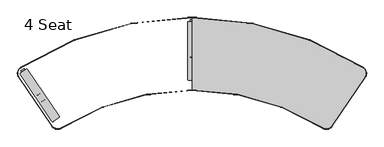
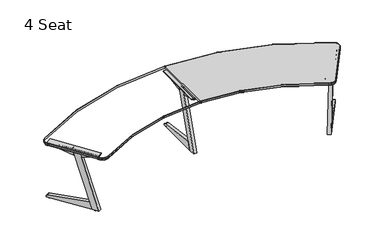
"""IFC4 building model written with IfcOpenShell, lengths in millimetres: furniture geometry, 4 Seat."""

from ifc_helpers import new_model, si_unit, point, frame, frame_2d, origin, place, context, project, spatial, polyline, circle_curve, ellipse_curve, trimmed, segment, composite_curve, outline, extrude, source, transform, mapped, element, save
from ifc_brep_helpers import plane_surface, cylinder_surface, revolved_surface, advanced_brep


def furniture_4_seat_52981105(model_context):
    return source(origin(), model_context, "Body", "SolidModel", [
        extrude(outline(composite_curve([segment(polyline([(-44.4500484, 116.2818345), (-44.4500484, 695.961839)]), True, "CONTINUOUS"), segment(trimmed(circle_curve(frame_2d((-34.2900484, 695.961839)), 10.16), [point((-44.4500484, 695.961839))], [point((-34.2900484, 706.121839))], False, "CARTESIAN"), True, "CONTINUOUS"), segment(polyline([(-34.2900484, 706.121839), (34.2900484, 706.121839)]), True, "CONTINUOUS"), segment(trimmed(circle_curve(frame_2d((34.2900484, 695.961839)), 10.16), [point((34.2900484, 706.121839))], [point((44.4500484, 695.961839))], False, "CARTESIAN"), True, "CONTINUOUS"), segment(polyline([(44.4500484, 695.961839), (44.4500484, 116.2818345)]), True, "CONTINUOUS"), segment(trimmed(circle_curve(frame_2d((34.2900484, 116.2818345)), 10.16), [point((44.4500484, 116.2818345))], [point((34.2900484, 106.1218345))], False, "CARTESIAN"), True, "CONTINUOUS"), segment(polyline([(34.2900484, 106.1218345), (-34.2900484, 106.1218345)]), True, "CONTINUOUS"), segment(trimmed(circle_curve(frame_2d((-34.2900484, 116.2818345)), 10.16), [point((-34.2900484, 106.1218345))], [point((-44.4500484, 116.2818345))], False, "CARTESIAN"), True, "CONTINUOUS")], self_intersect=False)), frame((0.0, 0.0, 714.3857946), z_axis=(0.0, 0.0, 1.0), x_axis=(1.0, 0.0, 0.0)), (0.0, 0.0, 1.0), 4.617167),
        advanced_brep(
        [(0.0, 677.8953643, 1.2928006), (0.0, 707.2246787, 1.2928006), (0.0, 692.5600215, 0.0), (0.0, 677.8953643, 8.0264498), (0.0, 707.2246787, 8.0264498), (0.0, 692.5600215, 8.0264498)],
        [
            (0, 1, circle_curve(frame((0.0, 692.5600215, 1.2928006), z_axis=(0.0, 0.0, -1.0), x_axis=(0.0, 1.0, 0.0)), 14.6646572)),
            (1, 2, circle_curve(frame((0.0, 694.003211, 67.4488203), z_axis=(-1.0, 0.0, 0.0), x_axis=(0.0, 1.0, 0.0)), 67.4642584)),
            (2, 0, circle_curve(frame((0.0, 691.116832, 67.4488203), z_axis=(-1.0, 0.0, 0.0), x_axis=(0.0, -1.0, 0.0)), 67.4642584)),
            (1, 0, circle_curve(frame((0.0, 692.5600215, 1.2928006), z_axis=(0.0, 0.0, -1.0), x_axis=(0.0, 1.0, 0.0)), 14.6646572)),
            (3, 4, circle_curve(frame((0.0, 692.5600215, 8.0264498), z_axis=(0.0, 0.0, -1.0), x_axis=(0.0, 1.0, 0.0)), 14.6646572)),
            (4, 1),
            (0, 3),
            (4, 3, circle_curve(frame((0.0, 692.5600215, 8.0264498), z_axis=(0.0, 0.0, -1.0), x_axis=(0.0, 1.0, 0.0)), 14.6646572)),
            (5, 4),
            (3, 5),
        ],
        [
            revolved_surface(trimmed(ellipse_curve(frame((0.0, 694.003211, 67.4488203), z_axis=(1.0, 0.0, 0.0), x_axis=(0.0, 1.0, 0.0)), 67.4642584, 67.4642584), [point((0.0, 692.5600215, 0.0))], [point((0.0, 707.2246787, 1.2928006))], True, "CARTESIAN"), (0.0, 692.5600215, -6.2719709), (0.0, 0.0, 1.0)),
            cylinder_surface(frame((0.0, 692.5600215, -6.2719709), z_axis=(0.0, 0.0, 1.0), x_axis=(0.0, 1.0, 0.0)), 14.6646572),
            plane_surface(frame((0.0, 692.5600215, 8.0264498), z_axis=(0.0, 0.0, 1.0), x_axis=(0.0, 1.0, 0.0))),
        ],
        [
            (0, [[1, 2, 3]]),
            (0, [[4, -3, -2]]),
            (1, [[5, 6, -1, 7]]),
            (1, [[8, -7, -4, -6]]),
            (2, [[9, -5, 10]]),
            (2, [[-10, -8, -9]]),
        ],
    ),
        advanced_brep(
        [(0.0, 143.7078397, 1.2928006), (0.0, 173.0371541, 1.2928006), (0.0, 158.3724969, 0.0), (0.0, 143.7078397, 8.0264498), (0.0, 173.0371541, 8.0264498), (0.0, 158.3724969, 8.0264498)],
        [
            (0, 1, circle_curve(frame((0.0, 158.3724969, 1.2928006), z_axis=(0.0, 0.0, -1.0), x_axis=(0.0, 1.0, 0.0)), 14.6646572)),
            (1, 2, circle_curve(frame((0.0, 159.8156864, 67.4488203), z_axis=(-1.0, 0.0, 0.0), x_axis=(0.0, 1.0, 0.0)), 67.4642584)),
            (2, 0, circle_curve(frame((0.0, 156.9293074, 67.4488203), z_axis=(-1.0, 0.0, 0.0), x_axis=(0.0, -1.0, 0.0)), 67.4642584)),
            (1, 0, circle_curve(frame((0.0, 158.3724969, 1.2928006), z_axis=(0.0, 0.0, -1.0), x_axis=(0.0, 1.0, 0.0)), 14.6646572)),
            (3, 4, circle_curve(frame((0.0, 158.3724969, 8.0264498), z_axis=(0.0, 0.0, -1.0), x_axis=(0.0, 1.0, 0.0)), 14.6646572)),
            (4, 1),
            (0, 3),
            (4, 3, circle_curve(frame((0.0, 158.3724969, 8.0264498), z_axis=(0.0, 0.0, -1.0), x_axis=(0.0, 1.0, 0.0)), 14.6646572)),
            (5, 4),
            (3, 5),
        ],
        [
            revolved_surface(trimmed(ellipse_curve(frame((0.0, 159.8156864, 67.4488203), z_axis=(1.0, 0.0, 0.0), x_axis=(0.0, 1.0, 0.0)), 67.4642584, 67.4642584), [point((0.0, 158.3724969, 0.0))], [point((0.0, 173.0371541, 1.2928006))], True, "CARTESIAN"), (0.0, 158.3724969, -6.2719709), (0.0, 0.0, 1.0)),
            cylinder_surface(frame((0.0, 158.3724969, -6.2719709), z_axis=(0.0, 0.0, 1.0), x_axis=(0.0, 1.0, 0.0)), 14.6646572),
            plane_surface(frame((0.0, 158.3724969, 8.0264498), z_axis=(0.0, 0.0, 1.0), x_axis=(0.0, 1.0, 0.0))),
        ],
        [
            (0, [[1, 2, 3]]),
            (0, [[4, -3, -2]]),
            (1, [[5, 6, -1, 7]]),
            (1, [[8, -7, -4, -6]]),
            (2, [[9, -5, 10]]),
            (2, [[-10, -8, -9]]),
        ],
    ),
        extrude(outline(polyline([(187.2682978, 8.0264498), (107.1469529, 8.0264498), (338.1573042, 719.0029616), (418.2785734, 719.0029616), (187.2682978, 8.0264498)])), frame((-19.05, 0.0, 0.0), z_axis=(1.0, 0.0, 0.0), x_axis=(0.0, 1.0, 0.0)), (0.0, 0.0, 1.0), 38.1),
        extrude(outline(composite_curve([segment(polyline([(720.9868557, 8.0264498), (187.2682961, 8.0264498), (217.2701859, 100.3622996), (709.6149626, 34.6058121)]), True, "CONTINUOUS"), segment(trimmed(circle_curve(frame_2d((707.6569952, 19.9457372)), 14.7902478), [point((709.6149626, 34.6058121))], [point((722.3171082, 17.9880557))], False, "CARTESIAN"), True, "CONTINUOUS"), segment(polyline([(722.3171082, 17.9880557), (720.9868557, 8.0264498)]), True, "CONTINUOUS")], self_intersect=False)), frame((-19.05, 0.0, 0.0), z_axis=(1.0, 0.0, 0.0), x_axis=(0.0, 1.0, 0.0)), (0.0, 0.0, 1.0), 38.1),
        extrude(outline(polyline([(704.6217852, 696.1870194), (393.1086993, 641.5380556), (418.2785734, 719.0029616), (704.6217852, 719.0029616), (704.6217852, 696.1870194)])), frame((-19.05, 0.0, 0.0), z_axis=(1.0, 0.0, 0.0), x_axis=(0.0, 1.0, 0.0)), (0.0, 0.0, 1.0), 38.1),
        extrude(outline(polyline([(107.4819259, 701.0055227), (107.4819259, 719.0029616), (338.1573184, 719.0029616), (314.3033533, 645.5879568), (107.4819259, 701.0055227)])), frame((-19.05, 0.0, 0.0), z_axis=(1.0, 0.0, 0.0), x_axis=(0.0, 1.0, 0.0)), (0.0, 0.0, 1.0), 38.1),
        extrude(outline(composite_curve([segment(trimmed(circle_curve(frame_2d((1426.3823302, -309.0075111)), 10.16), [point((1434.8053519, -314.688911))], [point((1420.7009303, -317.4305328))], False, "CARTESIAN"), True, "CONTINUOUS"), segment(polyline([(1420.7009303, -317.4305328), (1363.8454532, -279.0810293)]), True, "CONTINUOUS"), segment(trimmed(circle_curve(frame_2d((1369.5268531, -270.6580076)), 10.16), [point((1363.8454532, -279.0810293))], [point((1361.1038314, -264.9766077))], False, "CARTESIAN"), True, "CONTINUOUS"), segment(polyline([(1361.1038314, -264.9766077), (1685.2567762, 215.5998962)]), True, "CONTINUOUS"), segment(trimmed(circle_curve(frame_2d((1693.679798, 209.9184963)), 10.16), [point((1685.2567762, 215.5998962))], [point((1699.3611979, 218.341518))], False, "CARTESIAN"), True, "CONTINUOUS"), segment(polyline([(1699.3611979, 218.341518), (1756.2166749, 179.9920145)]), True, "CONTINUOUS"), segment(trimmed(circle_curve(frame_2d((1750.535275, 171.5689928)), 10.16), [point((1756.2166749, 179.9920145))], [point((1758.9582967, 165.8875929))], False, "CARTESIAN"), True, "CONTINUOUS"), segment(polyline([(1758.9582967, 165.8875929), (1434.8053519, -314.688911)]), True, "CONTINUOUS")], self_intersect=False)), frame((0.0, 0.0, 714.3857946), z_axis=(0.0, 0.0, 1.0), x_axis=(1.0, 0.0, 0.0)), (0.0, 0.0, 1.0), 4.617167),
        advanced_brep(
        [(1712.004892, 175.7659581, 1.2928006), (1720.2052642, 187.92351, 0.0), (1728.4056365, 200.0810618, 1.2928006), (1712.004892, 175.7659581, 8.0264498), (1728.4056365, 200.0810618, 8.0264498), (1720.2052642, 187.92351, 8.0264498)],
        [
            (0, 1, circle_curve(frame((1719.3982429, 186.7270516, 67.4488203), z_axis=(0.8290375725550418, -0.5591929034707467, 0.0), x_axis=(-0.5591929034707467, -0.8290375725550418, 0.0)), 67.4642584)),
            (1, 2, circle_curve(frame((1721.0122856, 189.1199683, 67.4488203), z_axis=(0.8290375725550401, -0.5591929034707493, 0.0), x_axis=(0.5591929034707493, 0.8290375725550401, 0.0)), 67.4642584)),
            (2, 0, circle_curve(frame((1720.2052642, 187.92351, 1.2928006), z_axis=(0.0, 0.0, -1.0), x_axis=(0.5591929034707493, 0.8290375725550401, 0.0)), 14.6646572)),
            (0, 2, circle_curve(frame((1720.2052642, 187.92351, 1.2928006), z_axis=(0.0, 0.0, -1.0), x_axis=(0.5591929034707493, 0.8290375725550401, 0.0)), 14.6646572)),
            (3, 0),
            (2, 4),
            (4, 3, circle_curve(frame((1720.2052642, 187.92351, 8.0264498), z_axis=(0.0, 0.0, -1.0), x_axis=(0.5591929034707493, 0.8290375725550401, 0.0)), 14.6646572)),
            (3, 4, circle_curve(frame((1720.2052642, 187.92351, 8.0264498), z_axis=(0.0, 0.0, -1.0), x_axis=(0.5591929034707493, 0.8290375725550401, 0.0)), 14.6646572)),
            (5, 3),
            (4, 5),
        ],
        [
            revolved_surface(trimmed(ellipse_curve(frame((1721.0122856, 189.1199683, 67.4488203), z_axis=(0.8290375725550401, -0.5591929034707493, 0.0), x_axis=(0.5591929034707493, 0.8290375725550401, 0.0)), 67.4642584, 67.4642584), [point((1720.2052642, 187.92351, 0.0))], [point((1728.4056365, 200.0810618, 1.2928006))], True, "CARTESIAN"), (1720.2052642, 187.92351, -6.2719709), (0.0, 0.0, 1.0)),
            cylinder_surface(frame((1720.2052642, 187.92351, -6.2719709), z_axis=(0.0, 0.0, 1.0), x_axis=(0.5591929034707493, 0.8290375725550401, 0.0)), 14.6646572),
            plane_surface(frame((1720.2052642, 187.92351, 8.0264498), z_axis=(0.0, 0.0, 1.0), x_axis=(0.5591929034707493, 0.8290375725550401, 0.0))),
        ],
        [
            (0, [[1, 2, 3]]),
            (0, [[-2, -1, 4]]),
            (1, [[5, -3, 6, 7]]),
            (1, [[-6, -4, -5, 8]]),
            (2, [[9, -7, 10]]),
            (2, [[-10, -8, -9]]),
        ],
    ),
        advanced_brep(
        [(1413.2910191, -267.0955705, 1.2928006), (1421.4913914, -254.9380187, 0.0), (1429.6917636, -242.7804669, 1.2928006), (1413.2910191, -267.0955705, 8.0264498), (1429.6917636, -242.7804669, 8.0264498), (1421.4913914, -254.9380187, 8.0264498)],
        [
            (0, 1, circle_curve(frame((1420.68437, -256.1344771, 67.4488203), z_axis=(0.8290375725550418, -0.5591929034707467, 0.0), x_axis=(-0.5591929034707467, -0.8290375725550418, 0.0)), 67.4642584)),
            (1, 2, circle_curve(frame((1422.2984127, -253.7415604, 67.4488203), z_axis=(0.8290375725550401, -0.5591929034707493, 0.0), x_axis=(0.5591929034707493, 0.8290375725550401, 0.0)), 67.4642584)),
            (2, 0, circle_curve(frame((1421.4913914, -254.9380187, 1.2928006), z_axis=(0.0, 0.0, -1.0), x_axis=(0.5591929034707493, 0.8290375725550401, 0.0)), 14.6646572)),
            (0, 2, circle_curve(frame((1421.4913914, -254.9380187, 1.2928006), z_axis=(0.0, 0.0, -1.0), x_axis=(0.5591929034707493, 0.8290375725550401, 0.0)), 14.6646572)),
            (3, 0),
            (2, 4),
            (4, 3, circle_curve(frame((1421.4913914, -254.9380187, 8.0264498), z_axis=(0.0, 0.0, -1.0), x_axis=(0.5591929034707493, 0.8290375725550401, 0.0)), 14.6646572)),
            (3, 4, circle_curve(frame((1421.4913914, -254.9380187, 8.0264498), z_axis=(0.0, 0.0, -1.0), x_axis=(0.5591929034707493, 0.8290375725550401, 0.0)), 14.6646572)),
            (5, 3),
            (4, 5),
        ],
        [
            revolved_surface(trimmed(ellipse_curve(frame((1422.2984127, -253.7415604, 67.4488203), z_axis=(0.8290375725550401, -0.5591929034707493, 0.0), x_axis=(0.5591929034707493, 0.8290375725550401, 0.0)), 67.4642584, 67.4642584), [point((1421.4913914, -254.9380187, 0.0))], [point((1429.6917636, -242.7804669, 1.2928006))], True, "CARTESIAN"), (1421.4913914, -254.9380187, -6.2719709), (0.0, 0.0, 1.0)),
            cylinder_surface(frame((1421.4913914, -254.9380187, -6.2719709), z_axis=(0.0, 0.0, 1.0), x_axis=(0.5591929034707493, 0.8290375725550401, 0.0)), 14.6646572),
            plane_surface(frame((1421.4913914, -254.9380187, 8.0264498), z_axis=(0.0, 0.0, 1.0), x_axis=(0.5591929034707493, 0.8290375725550401, 0.0))),
        ],
        [
            (0, [[1, 2, 3]]),
            (0, [[-2, -1, 4]]),
            (1, [[5, -3, 6, 7]]),
            (1, [[-6, -4, -5, 8]]),
            (2, [[9, -7, 10]]),
            (2, [[-10, -8, -9]]),
        ],
    ),
        extrude(outline(polyline([(717.5896606, 0.0), (-29.9752849, 0.0), (-5.2164508, 76.1998551), (742.3485181, 76.1999271), (717.5896606, 0.0)])), frame((1577.4424581, -57.7980102, 690.4947716), z_axis=(-0.8290375725550401, 0.5591929034707495, 0.0), x_axis=(-0.17280011256799754, -0.2561867022479428, -0.9510565149810033)), (0.0, 0.0, 1.0), 38.1),
        extrude(outline(composite_curve([segment(polyline([(-0.2399851, 0.0), (-10.2900181, 0.0)]), True, "CONTINUOUS"), segment(trimmed(circle_curve(frame_2d((-10.2900181, 14.7902478)), 14.7902478), [point((-10.2900181, 0.0))], [point((-25.0802659, 14.7899594))], False, "CARTESIAN"), True, "CONTINUOUS"), segment(polyline([(-25.0802659, 14.7899594), (-25.0899523, 511.5064729), (70.404603, 529.0225355), (-0.2399851, 0.0)]), True, "CONTINUOUS")], self_intersect=False)), frame((1751.8767512, 200.8114643, 7.7885763), z_axis=(-0.8290375725550401, 0.5591929034707495, 0.0), x_axis=(-0.07401644854015399, -0.10973389763358792, -0.9912013100554519)), (0.0, 0.0, 1.0), 38.1),
        extrude(outline(polyline([(-680.1795134, 107.3080747), (-702.7947052, 110.3280611), (-664.8934595, 394.1518279), (-584.7785833, 408.8467529), (-680.1795134, 107.3080747)])), frame((1751.8767512, 200.8114643, 7.7885763), z_axis=(-0.8290375725550401, 0.5591929034707495, 0.0), x_axis=(-0.07401644854015399, -0.10973389763358792, -0.9912013100554519)), (0.0, 0.0, 1.0), 38.1),
        extrude(outline(polyline([(-605.9163988, 699.8316771), (-578.3619389, 487.4947721), (-654.2883701, 473.5681207), (-623.7554838, 702.213872), (-605.9163988, 699.8316771)])), frame((1751.8767512, 200.8114643, 7.7885763), z_axis=(-0.8290375725550401, 0.5591929034707495, 0.0), x_axis=(-0.07401644854015399, -0.10973389763358792, -0.9912013100554519)), (0.0, 0.0, 1.0), 38.1),
        extrude(outline(composite_curve([segment(polyline([(-1434.8053519, -314.688911), (-1758.9582967, 165.8875929)]), True, "CONTINUOUS"), segment(trimmed(circle_curve(frame_2d((-1750.535275, 171.5689928)), 10.16), [point((-1758.9582967, 165.8875929))], [point((-1756.2166749, 179.9920145))], False, "CARTESIAN"), True, "CONTINUOUS"), segment(polyline([(-1756.2166749, 179.9920145), (-1699.3611979, 218.341518)]), True, "CONTINUOUS"), segment(trimmed(circle_curve(frame_2d((-1693.679798, 209.9184963)), 10.16), [point((-1699.3611979, 218.341518))], [point((-1685.2567762, 215.5998962))], False, "CARTESIAN"), True, "CONTINUOUS"), segment(polyline([(-1685.2567762, 215.5998962), (-1361.1038314, -264.9766077)]), True, "CONTINUOUS"), segment(trimmed(circle_curve(frame_2d((-1369.5268531, -270.6580076)), 10.16), [point((-1361.1038314, -264.9766077))], [point((-1363.8454532, -279.0810293))], False, "CARTESIAN"), True, "CONTINUOUS"), segment(polyline([(-1363.8454532, -279.0810293), (-1420.7009303, -317.4305328)]), True, "CONTINUOUS"), segment(trimmed(circle_curve(frame_2d((-1426.3823302, -309.0075111)), 10.16), [point((-1420.7009303, -317.4305328))], [point((-1434.8053519, -314.688911))], False, "CARTESIAN"), True, "CONTINUOUS")], self_intersect=False)), frame((0.0, 0.0, 714.3857946), z_axis=(0.0, 0.0, 1.0), x_axis=(1.0, 0.0, 0.0)), (0.0, 0.0, 1.0), 4.617167),
        advanced_brep(
        [(-1712.004892, 175.7659581, 1.2928006), (-1728.4056365, 200.0810618, 1.2928006), (-1720.2052642, 187.92351, 0.0), (-1712.004892, 175.7659581, 8.0264498), (-1728.4056365, 200.0810618, 8.0264498), (-1720.2052642, 187.92351, 8.0264498)],
        [
            (0, 1, circle_curve(frame((-1720.2052642, 187.92351, 1.2928006), z_axis=(0.0, 0.0, -1.0), x_axis=(-0.5591929034707493, 0.8290375725550401, 0.0)), 14.6646572)),
            (1, 2, circle_curve(frame((-1721.0122856, 189.1199683, 67.4488203), z_axis=(-0.8290375725550401, -0.5591929034707493, 0.0), x_axis=(-0.5591929034707493, 0.8290375725550401, 0.0)), 67.4642584)),
            (2, 0, circle_curve(frame((-1719.3982429, 186.7270516, 67.4488203), z_axis=(-0.8290375725550418, -0.5591929034707467, 0.0), x_axis=(0.5591929034707467, -0.8290375725550418, 0.0)), 67.4642584)),
            (1, 0, circle_curve(frame((-1720.2052642, 187.92351, 1.2928006), z_axis=(0.0, 0.0, -1.0), x_axis=(-0.5591929034707493, 0.8290375725550401, 0.0)), 14.6646572)),
            (3, 4, circle_curve(frame((-1720.2052642, 187.92351, 8.0264498), z_axis=(0.0, 0.0, -1.0), x_axis=(-0.5591929034707493, 0.8290375725550401, 0.0)), 14.6646572)),
            (4, 1),
            (0, 3),
            (4, 3, circle_curve(frame((-1720.2052642, 187.92351, 8.0264498), z_axis=(0.0, 0.0, -1.0), x_axis=(-0.5591929034707493, 0.8290375725550401, 0.0)), 14.6646572)),
            (5, 4),
            (3, 5),
        ],
        [
            revolved_surface(trimmed(ellipse_curve(frame((-1721.0122856, 189.1199683, 67.4488203), z_axis=(0.8290375725550401, 0.5591929034707493, 0.0), x_axis=(-0.5591929034707493, 0.8290375725550401, 0.0)), 67.4642584, 67.4642584), [point((-1720.2052642, 187.92351, 0.0))], [point((-1728.4056365, 200.0810618, 1.2928006))], True, "CARTESIAN"), (-1720.2052642, 187.92351, -6.2719709), (0.0, 0.0, 1.0)),
            cylinder_surface(frame((-1720.2052642, 187.92351, -6.2719709), z_axis=(0.0, 0.0, 1.0), x_axis=(-0.5591929034707493, 0.8290375725550401, 0.0)), 14.6646572),
            plane_surface(frame((-1720.2052642, 187.92351, 8.0264498), z_axis=(0.0, 0.0, 1.0), x_axis=(-0.5591929034707493, 0.8290375725550401, 0.0))),
        ],
        [
            (0, [[1, 2, 3]]),
            (0, [[4, -3, -2]]),
            (1, [[5, 6, -1, 7]]),
            (1, [[8, -7, -4, -6]]),
            (2, [[9, -5, 10]]),
            (2, [[-10, -8, -9]]),
        ],
    ),
        advanced_brep(
        [(-1413.2910191, -267.0955705, 1.2928006), (-1429.6917636, -242.7804669, 1.2928006), (-1421.4913914, -254.9380187, 0.0), (-1413.2910191, -267.0955705, 8.0264498), (-1429.6917636, -242.7804669, 8.0264498), (-1421.4913914, -254.9380187, 8.0264498)],
        [
            (0, 1, circle_curve(frame((-1421.4913914, -254.9380187, 1.2928006), z_axis=(0.0, 0.0, -1.0), x_axis=(-0.5591929034707493, 0.8290375725550401, 0.0)), 14.6646572)),
            (1, 2, circle_curve(frame((-1422.2984127, -253.7415604, 67.4488203), z_axis=(-0.8290375725550401, -0.5591929034707493, 0.0), x_axis=(-0.5591929034707493, 0.8290375725550401, 0.0)), 67.4642584)),
            (2, 0, circle_curve(frame((-1420.68437, -256.1344771, 67.4488203), z_axis=(-0.8290375725550418, -0.5591929034707467, 0.0), x_axis=(0.5591929034707467, -0.8290375725550418, 0.0)), 67.4642584)),
            (1, 0, circle_curve(frame((-1421.4913914, -254.9380187, 1.2928006), z_axis=(0.0, 0.0, -1.0), x_axis=(-0.5591929034707493, 0.8290375725550401, 0.0)), 14.6646572)),
            (3, 4, circle_curve(frame((-1421.4913914, -254.9380187, 8.0264498), z_axis=(0.0, 0.0, -1.0), x_axis=(-0.5591929034707493, 0.8290375725550401, 0.0)), 14.6646572)),
            (4, 1),
            (0, 3),
            (4, 3, circle_curve(frame((-1421.4913914, -254.9380187, 8.0264498), z_axis=(0.0, 0.0, -1.0), x_axis=(-0.5591929034707493, 0.8290375725550401, 0.0)), 14.6646572)),
            (5, 4),
            (3, 5),
        ],
        [
            revolved_surface(trimmed(ellipse_curve(frame((-1422.2984127, -253.7415604, 67.4488203), z_axis=(0.8290375725550401, 0.5591929034707493, 0.0), x_axis=(-0.5591929034707493, 0.8290375725550401, 0.0)), 67.4642584, 67.4642584), [point((-1421.4913914, -254.9380187, 0.0))], [point((-1429.6917636, -242.7804669, 1.2928006))], True, "CARTESIAN"), (-1421.4913914, -254.9380187, -6.2719709), (0.0, 0.0, 1.0)),
            cylinder_surface(frame((-1421.4913914, -254.9380187, -6.2719709), z_axis=(0.0, 0.0, 1.0), x_axis=(-0.5591929034707493, 0.8290375725550401, 0.0)), 14.6646572),
            plane_surface(frame((-1421.4913914, -254.9380187, 8.0264498), z_axis=(0.0, 0.0, 1.0), x_axis=(-0.5591929034707493, 0.8290375725550401, 0.0))),
        ],
        [
            (0, [[1, 2, 3]]),
            (0, [[4, -3, -2]]),
            (1, [[5, 6, -1, 7]]),
            (1, [[8, -7, -4, -6]]),
            (2, [[9, -5, 10]]),
            (2, [[-10, -8, -9]]),
        ],
    ),
        extrude(outline(polyline([(717.5896606, 0.0), (742.3485181, -76.1999271), (-5.2164508, -76.1998551), (-29.9752849, 0.0), (717.5896606, 0.0)])), frame((-1577.4424581, -57.7980102, 690.4947716), z_axis=(0.8290375725550401, 0.5591929034707495, 0.0), x_axis=(0.17280011256799754, -0.2561867022479428, -0.9510565149810033)), (0.0, 0.0, 1.0), 38.1),
        extrude(outline(composite_curve([segment(polyline([(-0.2399851, 0.0), (70.404603, -529.0225355), (-25.0899523, -511.5064729), (-25.0802659, -14.7899594)]), True, "CONTINUOUS"), segment(trimmed(circle_curve(frame_2d((-10.2900181, -14.7902478)), 14.7902478), [point((-25.0802659, -14.7899594))], [point((-10.2900181, 0.0))], False, "CARTESIAN"), True, "CONTINUOUS"), segment(polyline([(-10.2900181, 0.0), (-0.2399851, 0.0)]), True, "CONTINUOUS")], self_intersect=False)), frame((-1751.8767512, 200.8114643, 7.7885763), z_axis=(0.8290375725550401, 0.5591929034707495, 0.0), x_axis=(0.07401644854015399, -0.10973389763358792, -0.9912013100554519)), (0.0, 0.0, 1.0), 38.1),
        extrude(outline(polyline([(-680.1795134, -107.3080747), (-584.7785833, -408.8467529), (-664.8934595, -394.1518279), (-702.7947052, -110.3280611), (-680.1795134, -107.3080747)])), frame((-1751.8767512, 200.8114643, 7.7885763), z_axis=(0.8290375725550401, 0.5591929034707495, 0.0), x_axis=(0.07401644854015399, -0.10973389763358792, -0.9912013100554519)), (0.0, 0.0, 1.0), 38.1),
        extrude(outline(polyline([(-605.9163988, -699.8316771), (-623.7554838, -702.213872), (-654.2883701, -473.5681207), (-578.3619389, -487.4947721), (-605.9163988, -699.8316771)])), frame((-1751.8767512, 200.8114643, 7.7885763), z_axis=(0.8290375725550401, 0.5591929034707495, 0.0), x_axis=(0.07401644854015399, -0.10973389763358792, -0.9912013100554519)), (0.0, 0.0, 1.0), 38.1),
        extrude(outline(composite_curve([segment(trimmed(circle_curve(frame_2d((1715.7106377, 175.8950772)), 69.0), [point((1752.785616, 234.0882554))], [point((1772.9142302, 137.3107668))], False, "CARTESIAN"), True, "CONTINUOUS"), segment(polyline([(1772.9142302, 137.3107668), (1436.2821485, -361.7668184)]), True, "CONTINUOUS"), segment(trimmed(circle_curve(frame_2d((1376.5914432, -321.5049293)), 72.0), [point((1436.2821485, -361.7668184))], [point((1338.2920231, -382.4734))], False, "CARTESIAN"), True, "CONTINUOUS"), segment(trimmed(circle_curve(frame_2d((0.0, -2512.8873234)), 2515.8873234), [point((1338.2920231, -382.4734))], [point((0.0, 3.0))], True, "CARTESIAN"), True, "CONTINUOUS"), segment(polyline([(0.0, 3.0), (0.0, 745.0)]), True, "CONTINUOUS"), segment(trimmed(circle_curve(frame_2d((0.0, -2517.0978685)), 3262.0978685), [point((0.0, 745.0))], [point((1752.785616, 234.0882554))], False, "CARTESIAN"), True, "CONTINUOUS")], self_intersect=False)), frame((0.0, 0.0, 717.5615555), z_axis=(0.0, 0.0, 1.0), x_axis=(1.0, 0.0, 0.0)), (0.0, 0.0, 1.0), 25.0),
        advanced_brep(
        [(0.0, 745.0, 742.5615555), (0.0, 746.0, 742.5615555), (0.0, 748.0, 740.5615555), (0.0, 748.0, 719.5615555), (0.0, 746.0, 717.5615555), (0.0, 745.0, 717.5615555), (1752.785616, 234.0882554, 742.5615555), (1752.785616, 234.0882554, 717.5615555), (1753.3229345, 234.9316347, 717.5615555), (1773.7432678, 136.7515739, 717.5615555), (1437.111186, -362.3260113, 717.5615555), (1337.7600867, -383.3201843, 717.5615555), (0.0, 2.0, 717.5615555), (0.0, 3.0, 717.5615555), (1338.2920231, -382.4734, 717.5615555), (1436.2821485, -361.7668184, 717.5615555), (1772.9142302, 137.3107668, 717.5615555), (1754.3975715, 236.6183935, 719.5615555), (1754.3975715, 236.6183935, 740.5615555), (1753.3229345, 234.9316347, 742.5615555), (1772.9142302, 137.3107668, 742.5615555), (1436.2821485, -361.7668184, 742.5615555), (1338.2920231, -382.4734, 742.5615555), (0.0, 3.0, 742.5615555), (0.0, 2.0, 742.5615555), (1337.7600867, -383.3201843, 742.5615555), (1437.111186, -362.3260113, 742.5615555), (1773.7432678, 136.7515739, 742.5615555), (0.0, 0.0, 719.5615555), (0.0, 0.0, 740.5615555), (1336.6962139, -385.0137529, 719.5615555), (1336.6962139, -385.0137529, 740.5615555), (1775.4013429, 135.6331881, 719.5615555), (1775.4013429, 135.6331881, 740.5615555), (1438.7692612, -363.4443971, 719.5615555), (1438.7692612, -363.4443971, 740.5615555)],
        [
            (0, 1),
            (1, 2, circle_curve(frame((0.0, 746.0, 740.5615555), z_axis=(-1.0, 0.0, 0.0), x_axis=(0.0, -1.0, 0.0)), 2.0)),
            (2, 3),
            (3, 4, circle_curve(frame((0.0, 746.0, 719.5615555), z_axis=(-1.0, 0.0, 0.0), x_axis=(0.0, -1.0, 0.0)), 2.0)),
            (4, 5),
            (5, 0),
            (6, 0, circle_curve(frame((0.0, -2517.0978685, 742.5615555), z_axis=(0.0, 0.0, 1.0), x_axis=(0.0, 1.0, 0.0)), 3262.0978685)),
            (5, 7, circle_curve(frame((0.0, -2517.0978685, 717.5615555), z_axis=(0.0, 0.0, -1.0), x_axis=(0.0, 1.0, 0.0)), 3262.0978685)),
            (7, 6),
            (4, 8, circle_curve(frame((0.0, -2517.0978685, 717.5615555), z_axis=(0.0, 0.0, -1.0), x_axis=(0.0, 1.0, 0.0)), 3263.0978685)),
            (8, 9, circle_curve(frame((1715.7106377, 175.8950772, 717.5615555), z_axis=(0.0, 0.0, -1.0), x_axis=(0.537318525269696, 0.8433793941056416, 0.0)), 70.0)),
            (9, 10),
            (10, 11, circle_curve(frame((1376.5914432, -321.5049293, 717.5615555), z_axis=(0.0, 0.0, -1.0), x_axis=(0.829037572555041, -0.559192903470748, 0.0)), 73.0)),
            (11, 12, circle_curve(frame((0.0, -2512.8873234, 717.5615555), z_axis=(0.0, 0.0, 1.0), x_axis=(0.5319363910350502, 0.8467843148598149, 0.0)), 2514.8873234)),
            (12, 13),
            (13, 14, circle_curve(frame((0.0, -2512.8873234, 717.5615555), z_axis=(0.0, 0.0, -1.0), x_axis=(0.5319363910350502, 0.8467843148598149, 0.0)), 2515.8873234)),
            (14, 15, circle_curve(frame((1376.5914432, -321.5049293, 717.5615555), z_axis=(0.0, 0.0, 1.0), x_axis=(0.829037572555041, -0.559192903470748, 0.0)), 72.0)),
            (15, 16),
            (16, 7, circle_curve(frame((1715.7106377, 175.8950772, 717.5615555), z_axis=(0.0, 0.0, 1.0), x_axis=(0.537318525269696, 0.8433793941056416, 0.0)), 69.0)),
            (3, 17, circle_curve(frame((0.0, -2517.0978685, 719.5615555), z_axis=(0.0, 0.0, -1.0), x_axis=(0.0, 1.0, 0.0)), 3265.0978685)),
            (17, 8, circle_curve(frame((1753.3229345, 234.9316347, 719.5615555), z_axis=(-0.8433793941056426, 0.5373185252696944, 0.0), x_axis=(-0.5373185252696944, -0.8433793941056426, 0.0)), 2.0)),
            (2, 18, circle_curve(frame((0.0, -2517.0978685, 740.5615555), z_axis=(0.0, 0.0, -1.0), x_axis=(0.0, 1.0, 0.0)), 3265.0978685)),
            (18, 17),
            (1, 19, circle_curve(frame((0.0, -2517.0978685, 742.5615555), z_axis=(0.0, 0.0, -1.0), x_axis=(0.0, 1.0, 0.0)), 3263.0978685)),
            (19, 18, circle_curve(frame((1753.3229345, 234.9316347, 740.5615555), z_axis=(-0.8433793941056427, 0.5373185252696941, 0.0), x_axis=(-0.5373185252696941, -0.8433793941056427, 0.0)), 2.0)),
            (6, 20, circle_curve(frame((1715.7106377, 175.8950772, 742.5615555), z_axis=(0.0, 0.0, -1.0), x_axis=(0.537318525269696, 0.8433793941056416, 0.0)), 69.0)),
            (20, 21),
            (21, 22, circle_curve(frame((1376.5914432, -321.5049293, 742.5615555), z_axis=(0.0, 0.0, -1.0), x_axis=(0.829037572555041, -0.559192903470748, 0.0)), 72.0)),
            (22, 23, circle_curve(frame((0.0, -2512.8873234, 742.5615555), z_axis=(0.0, 0.0, 1.0), x_axis=(0.5319363910350502, 0.8467843148598149, 0.0)), 2515.8873234)),
            (23, 24),
            (24, 25, circle_curve(frame((0.0, -2512.8873234, 742.5615555), z_axis=(0.0, 0.0, -1.0), x_axis=(0.5319363910350502, 0.8467843148598149, 0.0)), 2514.8873234)),
            (25, 26, circle_curve(frame((1376.5914432, -321.5049293, 742.5615555), z_axis=(0.0, 0.0, 1.0), x_axis=(0.829037572555041, -0.559192903470748, 0.0)), 73.0)),
            (26, 27),
            (27, 19, circle_curve(frame((1715.7106377, 175.8950772, 742.5615555), z_axis=(0.0, 0.0, 1.0), x_axis=(0.537318525269696, 0.8433793941056416, 0.0)), 70.0)),
            (23, 13),
            (12, 28, circle_curve(frame((0.0, 2.0, 719.5615555), z_axis=(-1.0, 0.0, 0.0), x_axis=(0.0, 1.0, 0.0)), 2.0)),
            (28, 29),
            (29, 24, circle_curve(frame((0.0, 2.0, 740.5615555), z_axis=(-1.0, 0.0, 0.0), x_axis=(0.0, 1.0, 0.0)), 2.0)),
            (22, 14),
            (11, 30, circle_curve(frame((1337.7600867, -383.3201843, 719.5615555), z_axis=(-0.846784314859815, 0.53193639103505, 0.0), x_axis=(0.53193639103505, 0.846784314859815, 0.0)), 2.0)),
            (30, 28, circle_curve(frame((0.0, -2512.8873234, 719.5615555), z_axis=(0.0, 0.0, 1.0), x_axis=(0.5319363910350502, 0.8467843148598149, 0.0)), 2512.8873234)),
            (30, 31),
            (31, 29, circle_curve(frame((0.0, -2512.8873234, 740.5615555), z_axis=(0.0, 0.0, 1.0), x_axis=(0.5319363910350502, 0.8467843148598149, 0.0)), 2512.8873234)),
            (31, 25, circle_curve(frame((1337.7600867, -383.3201843, 740.5615555), z_axis=(-0.846784314859815, 0.53193639103505, 0.0), x_axis=(0.53193639103505, 0.846784314859815, 0.0)), 2.0)),
            (16, 20),
            (17, 32, circle_curve(frame((1715.7106377, 175.8950772, 719.5615555), z_axis=(0.0, 0.0, -1.0), x_axis=(0.537318525269696, 0.8433793941056416, 0.0)), 72.0)),
            (32, 9, circle_curve(frame((1773.7432678, 136.7515739, 719.5615555), z_axis=(0.5591929034707289, 0.8290375725550538, 0.0), x_axis=(-0.8290375725550538, 0.5591929034707289, 0.0)), 2.0)),
            (18, 33, circle_curve(frame((1715.7106377, 175.8950772, 740.5615555), z_axis=(0.0, 0.0, -1.0), x_axis=(0.537318525269696, 0.8433793941056416, 0.0)), 72.0)),
            (33, 32),
            (27, 33, circle_curve(frame((1773.7432678, 136.7515739, 740.5615555), z_axis=(0.5591929034707299, 0.8290375725550531, 0.0), x_axis=(-0.8290375725550531, 0.5591929034707299, 0.0)), 2.0)),
            (15, 21),
            (32, 34),
            (34, 10, circle_curve(frame((1437.111186, -362.3260113, 719.5615555), z_axis=(0.5591929034707476, 0.8290375725550413, 0.0), x_axis=(-0.8290375725550413, 0.5591929034707476, 0.0)), 2.0)),
            (33, 35),
            (35, 34),
            (26, 35, circle_curve(frame((1437.111186, -362.3260113, 740.5615555), z_axis=(0.5591929034707476, 0.8290375725550413, 0.0), x_axis=(-0.8290375725550413, 0.5591929034707476, 0.0)), 2.0)),
            (34, 30, circle_curve(frame((1376.5914432, -321.5049293, 719.5615555), z_axis=(0.0, 0.0, -1.0), x_axis=(0.829037572555041, -0.559192903470748, 0.0)), 75.0)),
            (35, 31, circle_curve(frame((1376.5914432, -321.5049293, 740.5615555), z_axis=(0.0, 0.0, -1.0), x_axis=(0.829037572555041, -0.559192903470748, 0.0)), 75.0)),
        ],
        [
            plane_surface(frame((0.0, 745.0, 0.0), z_axis=(-1.0, 0.0, 0.0), x_axis=(0.0, 0.0, 1.0))),
            revolved_surface(polyline([(0.0, 745.0, 717.5615555), (0.0, 745.0, 742.5615555)]), (0.0, -2517.0978685, 0.0), (0.0, 0.0, -1.0)),
            plane_surface(frame((0.0, -2517.0978685, 717.5615555), z_axis=(0.0, 0.0, -1.0), x_axis=(0.0, 1.0, 0.0))),
            revolved_surface(trimmed(ellipse_curve(frame((0.0, 746.0, 719.5615555), z_axis=(-1.0, 0.0, 0.0), x_axis=(0.0, -1.0, 0.0)), 2.0, 2.0), [point((0.0, 748.0, 719.5615555))], [point((0.0, 746.0, 717.5615555))], True, "CARTESIAN"), (0.0, -2517.0978685, 0.0), (0.0, 0.0, -1.0)),
            cylinder_surface(frame((0.0, -2517.0978685, 0.0), z_axis=(0.0, 0.0, -1.0), x_axis=(0.0, 1.0, 0.0)), 3265.0978685),
            revolved_surface(trimmed(ellipse_curve(frame((0.0, 746.0, 740.5615555), z_axis=(-1.0, 0.0, 0.0), x_axis=(0.0, -1.0, 0.0)), 2.0, 2.0), [point((0.0, 746.0, 742.5615555))], [point((0.0, 748.0, 740.5615555))], True, "CARTESIAN"), (0.0, -2517.0978685, 0.0), (0.0, 0.0, -1.0)),
            plane_surface(frame((0.0, -2517.0978685, 742.5615555), z_axis=(0.0, 0.0, 1.0), x_axis=(0.0, 1.0, 0.0))),
            plane_surface(frame((0.0, 3.0, 0.0), z_axis=(-1.0, 0.0, 0.0), x_axis=(0.0, 0.0, 1.0))),
            cylinder_surface(frame((0.0, -2512.8873234, 0.0), z_axis=(0.0, 0.0, 1.0), x_axis=(0.5319363910350502, 0.8467843148598149, 0.0)), 2515.8873234),
            revolved_surface(trimmed(ellipse_curve(frame((1337.7600867, -383.3201843, 719.5615555), z_axis=(0.846784314859815, -0.53193639103505, 0.0), x_axis=(0.53193639103505, 0.846784314859815, 0.0)), 2.0, 2.0), [point((1336.6962139, -385.0137529, 719.5615555))], [point((1337.7600867, -383.3201843, 717.5615555))], True, "CARTESIAN"), (0.0, -2512.8873234, 0.0), (0.0, 0.0, 1.0)),
            revolved_surface(polyline([(1336.696213887123, -385.01375293481715, 740.5615555), (1336.696213887123, -385.01375293481715, 719.5615555)]), (0.0, -2512.8873234, 0.0), (0.0, 0.0, 1.0)),
            revolved_surface(trimmed(ellipse_curve(frame((1337.7600867, -383.3201843, 740.5615555), z_axis=(0.846784314859815, -0.53193639103505, 0.0), x_axis=(0.53193639103505, 0.846784314859815, 0.0)), 2.0, 2.0), [point((1337.7600867, -383.3201843, 742.5615555))], [point((1336.6962139, -385.0137529, 740.5615555))], True, "CARTESIAN"), (0.0, -2512.8873234, 0.0), (0.0, 0.0, 1.0)),
            revolved_surface(polyline([(1752.785615943609, 234.08825539328927, 717.5615555), (1752.785615943609, 234.08825539328927, 742.5615555)]), (1715.7106377, 175.8950772, 0.0), (0.0, 0.0, -1.0)),
            revolved_surface(trimmed(ellipse_curve(frame((1753.3229345, 234.9316347, 719.5615555), z_axis=(-0.8433793941056416, 0.537318525269696, 0.0), x_axis=(-0.537318525269696, -0.8433793941056416, 0.0)), 2.0, 2.0), [point((1754.3975715, 236.6183935, 719.5615555))], [point((1753.3229345, 234.9316347, 717.5615555))], True, "CARTESIAN"), (1715.7106377, 175.8950772, 0.0), (0.0, 0.0, -1.0)),
            cylinder_surface(frame((1715.7106377, 175.8950772, 0.0), z_axis=(0.0, 0.0, -1.0), x_axis=(0.537318525269696, 0.8433793941056416, 0.0)), 72.0),
            revolved_surface(trimmed(ellipse_curve(frame((1753.3229345, 234.9316347, 740.5615555), z_axis=(-0.8433793941056416, 0.537318525269696, 0.0), x_axis=(-0.537318525269696, -0.8433793941056416, 0.0)), 2.0, 2.0), [point((1753.3229345, 234.9316347, 742.5615555))], [point((1754.3975715, 236.6183935, 740.5615555))], True, "CARTESIAN"), (1715.7106377, 175.8950772, 0.0), (0.0, 0.0, -1.0)),
            plane_surface(frame((1772.9142302, 137.3107668, 717.5615555), z_axis=(-0.8290375725550411, 0.5591929034707479, 0.0), x_axis=(-0.5591929034707479, -0.8290375725550411, 0.0))),
            cylinder_surface(frame((1773.7432678, 136.7515739, 719.5615555), z_axis=(0.5591929034707476, 0.8290375725550413, 0.0), x_axis=(-0.8290375725550413, 0.5591929034707476, 0.0)), 2.0),
            plane_surface(frame((1775.4013429, 135.6331881, 740.5615555), z_axis=(0.8290375725550412, -0.5591929034707477, 0.0), x_axis=(-0.5591929034707477, -0.8290375725550412, 0.0))),
            cylinder_surface(frame((1773.7432678, 136.7515739, 740.5615555), z_axis=(0.5591929034707476, 0.8290375725550413, 0.0), x_axis=(-0.8290375725550413, 0.5591929034707476, 0.0)), 2.0),
            revolved_surface(polyline([(1436.282148423963, -361.76681834989387, 717.5615555), (1436.282148423963, -361.76681834989387, 742.5615555)]), (1376.5914432, -321.5049293, 0.0), (0.0, 0.0, -1.0)),
            revolved_surface(trimmed(ellipse_curve(frame((1437.111186, -362.3260113, 719.5615555), z_axis=(0.5591929034707478, 0.8290375725550411, 0.0), x_axis=(-0.8290375725550411, 0.5591929034707478, 0.0)), 2.0, 2.0), [point((1438.7692612, -363.4443971, 719.5615555))], [point((1437.111186, -362.3260113, 717.5615555))], True, "CARTESIAN"), (1376.5914432, -321.5049293, 0.0), (0.0, 0.0, -1.0)),
            cylinder_surface(frame((1376.5914432, -321.5049293, 0.0), z_axis=(0.0, 0.0, -1.0), x_axis=(0.829037572555041, -0.559192903470748, 0.0)), 75.0),
            revolved_surface(trimmed(ellipse_curve(frame((1437.111186, -362.3260113, 740.5615555), z_axis=(0.5591929034707478, 0.8290375725550411, 0.0), x_axis=(-0.8290375725550411, 0.5591929034707478, 0.0)), 2.0, 2.0), [point((1437.111186, -362.3260113, 742.5615555))], [point((1438.7692612, -363.4443971, 740.5615555))], True, "CARTESIAN"), (1376.5914432, -321.5049293, 0.0), (0.0, 0.0, -1.0)),
        ],
        [
            (0, [[1, 2, 3, 4, 5, 6]]),
            (1, [[7, -6, 8, 9]]),
            (2, [[-8, -5, 10, 11, 12, 13, 14, 15, 16, 17, 18, 19]]),
            (3, [[-10, -4, 20, 21]]),
            (4, [[-20, -3, 22, 23]]),
            (5, [[-22, -2, 24, 25]]),
            (6, [[-24, -1, -7, 26, 27, 28, 29, 30, 31, 32, 33, 34]]),
            (7, [[35, -15, 36, 37, 38, -30]]),
            (8, [[-29, 39, -16, -35]]),
            (9, [[-14, 40, 41, -36]]),
            (10, [[-41, 42, 43, -37]]),
            (11, [[-43, 44, -31, -38]]),
            (12, [[-26, -9, -19, 45]]),
            (13, [[-11, -21, 46, 47]]),
            (14, [[-46, -23, 48, 49]]),
            (15, [[-48, -25, -34, 50]]),
            (16, [[-45, -18, 51, -27]]),
            (17, [[-47, 52, 53, -12]]),
            (18, [[-49, 54, 55, -52]]),
            (19, [[-50, -33, 56, -54]]),
            (20, [[-28, -51, -17, -39]]),
            (21, [[-13, -53, 57, -40]]),
            (22, [[-57, -55, 58, -42]]),
            (23, [[-58, -56, -32, -44]]),
        ],
    ),
        advanced_brep(
        [(0.0, 745.0, 742.5615555), (0.0, 745.0, 717.5615555), (0.0, 746.0, 717.5615555), (0.0, 748.0, 719.5615555), (0.0, 748.0, 740.5615555), (0.0, 746.0, 742.5615555), (-1752.785616, 234.0882554, 717.5615555), (-1752.785616, 234.0882554, 742.5615555), (-1753.3229345, 234.9316347, 717.5615555), (-1772.9142302, 137.3107668, 717.5615555), (-1436.2821485, -361.7668184, 717.5615555), (-1338.2920231, -382.4734, 717.5615555), (0.0, 3.0, 717.5615555), (0.0, 2.0, 717.5615555), (-1337.7600867, -383.3201843, 717.5615555), (-1437.111186, -362.3260113, 717.5615555), (-1773.7432678, 136.7515739, 717.5615555), (-1754.3975715, 236.6183935, 719.5615555), (-1754.3975715, 236.6183935, 740.5615555), (-1753.3229345, 234.9316347, 742.5615555), (-1773.7432678, 136.7515739, 742.5615555), (-1437.111186, -362.3260113, 742.5615555), (-1337.7600867, -383.3201843, 742.5615555), (0.0, 2.0, 742.5615555), (0.0, 3.0, 742.5615555), (-1338.2920231, -382.4734, 742.5615555), (-1436.2821485, -361.7668184, 742.5615555), (-1772.9142302, 137.3107668, 742.5615555), (0.0, 0.0, 740.5615555), (0.0, 0.0, 719.5615555), (-1336.6962139, -385.0137529, 719.5615555), (-1336.6962139, -385.0137529, 740.5615555), (-1775.4013429, 135.6331881, 719.5615555), (-1775.4013429, 135.6331881, 740.5615555), (-1438.7692612, -363.4443971, 719.5615555), (-1438.7692612, -363.4443971, 740.5615555)],
        [
            (0, 1),
            (1, 2),
            (2, 3, circle_curve(frame((0.0, 746.0, 719.5615555), z_axis=(1.0, 0.0, 0.0), x_axis=(0.0, -1.0, 0.0)), 2.0)),
            (3, 4),
            (4, 5, circle_curve(frame((0.0, 746.0, 740.5615555), z_axis=(1.0, 0.0, 0.0), x_axis=(0.0, -1.0, 0.0)), 2.0)),
            (5, 0),
            (6, 1, circle_curve(frame((0.0, -2517.0978685, 717.5615555), z_axis=(0.0, 0.0, -1.0), x_axis=(0.0, 1.0, 0.0)), 3262.0978685)),
            (0, 7, circle_curve(frame((0.0, -2517.0978685, 742.5615555), z_axis=(0.0, 0.0, 1.0), x_axis=(0.0, 1.0, 0.0)), 3262.0978685)),
            (7, 6),
            (8, 2, circle_curve(frame((0.0, -2517.0978685, 717.5615555), z_axis=(0.0, 0.0, -1.0), x_axis=(0.0, 1.0, 0.0)), 3263.0978685)),
            (6, 9, circle_curve(frame((-1715.7106377, 175.8950772, 717.5615555), z_axis=(0.0, 0.0, 1.0), x_axis=(-0.537318525269696, 0.8433793941056416, 0.0)), 69.0)),
            (9, 10),
            (10, 11, circle_curve(frame((-1376.5914432, -321.5049293, 717.5615555), z_axis=(0.0, 0.0, 1.0), x_axis=(-0.8290375725550404, -0.5591929034707487, 0.0)), 72.0)),
            (11, 12, circle_curve(frame((0.0, -2512.8873234, 717.5615555), z_axis=(0.0, 0.0, -1.0), x_axis=(-0.5319363910350502, 0.8467843148598149, 0.0)), 2515.8873234)),
            (12, 13),
            (13, 14, circle_curve(frame((0.0, -2512.8873234, 717.5615555), z_axis=(0.0, 0.0, 1.0), x_axis=(-0.5319363910350502, 0.8467843148598149, 0.0)), 2514.8873234)),
            (14, 15, circle_curve(frame((-1376.5914432, -321.5049293, 717.5615555), z_axis=(0.0, 0.0, -1.0), x_axis=(-0.8290375725550404, -0.5591929034707487, 0.0)), 73.0)),
            (15, 16),
            (16, 8, circle_curve(frame((-1715.7106377, 175.8950772, 717.5615555), z_axis=(0.0, 0.0, -1.0), x_axis=(-0.537318525269696, 0.8433793941056416, 0.0)), 70.0)),
            (17, 3, circle_curve(frame((0.0, -2517.0978685, 719.5615555), z_axis=(0.0, 0.0, -1.0), x_axis=(0.0, 1.0, 0.0)), 3265.0978685)),
            (8, 17, circle_curve(frame((-1753.3229345, 234.9316347, 719.5615555), z_axis=(0.8433793941056424, 0.5373185252696946, 0.0), x_axis=(0.5373185252696946, -0.8433793941056424, 0.0)), 2.0)),
            (18, 4, circle_curve(frame((0.0, -2517.0978685, 740.5615555), z_axis=(0.0, 0.0, -1.0), x_axis=(0.0, 1.0, 0.0)), 3265.0978685)),
            (17, 18),
            (19, 5, circle_curve(frame((0.0, -2517.0978685, 742.5615555), z_axis=(0.0, 0.0, -1.0), x_axis=(0.0, 1.0, 0.0)), 3263.0978685)),
            (18, 19, circle_curve(frame((-1753.3229345, 234.9316347, 740.5615555), z_axis=(0.8433793941056424, 0.5373185252696946, 0.0), x_axis=(0.5373185252696946, -0.8433793941056424, 0.0)), 2.0)),
            (19, 20, circle_curve(frame((-1715.7106377, 175.8950772, 742.5615555), z_axis=(0.0, 0.0, 1.0), x_axis=(-0.537318525269696, 0.8433793941056416, 0.0)), 70.0)),
            (20, 21),
            (21, 22, circle_curve(frame((-1376.5914432, -321.5049293, 742.5615555), z_axis=(0.0, 0.0, 1.0), x_axis=(-0.8290375725550404, -0.5591929034707487, 0.0)), 73.0)),
            (22, 23, circle_curve(frame((0.0, -2512.8873234, 742.5615555), z_axis=(0.0, 0.0, -1.0), x_axis=(-0.5319363910350502, 0.8467843148598149, 0.0)), 2514.8873234)),
            (23, 24),
            (24, 25, circle_curve(frame((0.0, -2512.8873234, 742.5615555), z_axis=(0.0, 0.0, 1.0), x_axis=(-0.5319363910350502, 0.8467843148598149, 0.0)), 2515.8873234)),
            (25, 26, circle_curve(frame((-1376.5914432, -321.5049293, 742.5615555), z_axis=(0.0, 0.0, -1.0), x_axis=(-0.8290375725550404, -0.5591929034707487, 0.0)), 72.0)),
            (26, 27),
            (27, 7, circle_curve(frame((-1715.7106377, 175.8950772, 742.5615555), z_axis=(0.0, 0.0, -1.0), x_axis=(-0.537318525269696, 0.8433793941056416, 0.0)), 69.0)),
            (23, 28, circle_curve(frame((0.0, 2.0, 740.5615555), z_axis=(1.0, 0.0, 0.0), x_axis=(0.0, 1.0, 0.0)), 2.0)),
            (28, 29),
            (29, 13, circle_curve(frame((0.0, 2.0, 719.5615555), z_axis=(1.0, 0.0, 0.0), x_axis=(0.0, 1.0, 0.0)), 2.0)),
            (12, 24),
            (11, 25),
            (29, 30, circle_curve(frame((0.0, -2512.8873234, 719.5615555), z_axis=(0.0, 0.0, 1.0), x_axis=(-0.5319363910350502, 0.8467843148598149, 0.0)), 2512.8873234)),
            (30, 14, circle_curve(frame((-1337.7600867, -383.3201843, 719.5615555), z_axis=(0.8467843148598146, 0.5319363910350505, 0.0), x_axis=(-0.5319363910350505, 0.8467843148598146, 0.0)), 2.0)),
            (28, 31, circle_curve(frame((0.0, -2512.8873234, 740.5615555), z_axis=(0.0, 0.0, 1.0), x_axis=(-0.5319363910350502, 0.8467843148598149, 0.0)), 2512.8873234)),
            (31, 30),
            (22, 31, circle_curve(frame((-1337.7600867, -383.3201843, 740.5615555), z_axis=(0.8467843148598146, 0.5319363910350505, 0.0), x_axis=(-0.5319363910350505, 0.8467843148598146, 0.0)), 2.0)),
            (27, 9),
            (32, 17, circle_curve(frame((-1715.7106377, 175.8950772, 719.5615555), z_axis=(0.0, 0.0, -1.0), x_axis=(-0.537318525269696, 0.8433793941056416, 0.0)), 72.0)),
            (16, 32, circle_curve(frame((-1773.7432678, 136.7515739, 719.5615555), z_axis=(-0.559192903470733, 0.829037572555051, 0.0), x_axis=(0.829037572555051, 0.559192903470733, 0.0)), 2.0)),
            (33, 18, circle_curve(frame((-1715.7106377, 175.8950772, 740.5615555), z_axis=(0.0, 0.0, -1.0), x_axis=(-0.537318525269696, 0.8433793941056416, 0.0)), 72.0)),
            (32, 33),
            (33, 20, circle_curve(frame((-1773.7432678, 136.7515739, 740.5615555), z_axis=(-0.5591929034707339, 0.8290375725550504, 0.0), x_axis=(0.8290375725550504, 0.5591929034707339, 0.0)), 2.0)),
            (26, 10),
            (15, 34, circle_curve(frame((-1437.111186, -362.3260113, 719.5615555), z_axis=(-0.559192903470748, 0.8290375725550408, 0.0), x_axis=(0.8290375725550408, 0.559192903470748, 0.0)), 2.0)),
            (34, 32),
            (34, 35),
            (35, 33),
            (35, 21, circle_curve(frame((-1437.111186, -362.3260113, 740.5615555), z_axis=(-0.559192903470748, 0.8290375725550408, 0.0), x_axis=(0.8290375725550408, 0.559192903470748, 0.0)), 2.0)),
            (30, 34, circle_curve(frame((-1376.5914432, -321.5049293, 719.5615555), z_axis=(0.0, 0.0, -1.0), x_axis=(-0.8290375725550404, -0.5591929034707487, 0.0)), 75.0)),
            (31, 35, circle_curve(frame((-1376.5914432, -321.5049293, 740.5615555), z_axis=(0.0, 0.0, -1.0), x_axis=(-0.8290375725550404, -0.5591929034707487, 0.0)), 75.0)),
        ],
        [
            plane_surface(frame((0.0, 745.0, 0.0), z_axis=(1.0, 0.0, 0.0), x_axis=(0.0, 0.0, 1.0))),
            revolved_surface(polyline([(0.0, 745.0, 742.5615555), (0.0, 745.0, 717.5615555)]), (0.0, -2517.0978685, 0.0), (0.0, 0.0, 1.0)),
            plane_surface(frame((0.0, -2517.0978685, 717.5615555), z_axis=(0.0, 0.0, -1.0), x_axis=(0.0, 1.0, 0.0))),
            revolved_surface(trimmed(ellipse_curve(frame((0.0, 746.0, 719.5615555), z_axis=(1.0, 0.0, 0.0), x_axis=(0.0, -1.0, 0.0)), 2.0, 2.0), [point((0.0, 746.0, 717.5615555))], [point((0.0, 748.0, 719.5615555))], True, "CARTESIAN"), (0.0, -2517.0978685, 0.0), (0.0, 0.0, 1.0)),
            cylinder_surface(frame((0.0, -2517.0978685, 0.0), z_axis=(0.0, 0.0, 1.0), x_axis=(0.0, 1.0, 0.0)), 3265.0978685),
            revolved_surface(trimmed(ellipse_curve(frame((0.0, 746.0, 740.5615555), z_axis=(1.0, 0.0, 0.0), x_axis=(0.0, -1.0, 0.0)), 2.0, 2.0), [point((0.0, 748.0, 740.5615555))], [point((0.0, 746.0, 742.5615555))], True, "CARTESIAN"), (0.0, -2517.0978685, 0.0), (0.0, 0.0, 1.0)),
            plane_surface(frame((0.0, -2517.0978685, 742.5615555), z_axis=(0.0, 0.0, 1.0), x_axis=(0.0, 1.0, 0.0))),
            plane_surface(frame((0.0, 3.0, 0.0), z_axis=(1.0, 0.0, 0.0), x_axis=(0.0, 0.0, 1.0))),
            cylinder_surface(frame((0.0, -2512.8873234, 0.0), z_axis=(0.0, 0.0, -1.0), x_axis=(-0.5319363910350502, 0.8467843148598149, 0.0)), 2515.8873234),
            revolved_surface(trimmed(ellipse_curve(frame((-1337.7600867, -383.3201843, 719.5615555), z_axis=(-0.8467843148598146, -0.5319363910350505, 0.0), x_axis=(-0.5319363910350505, 0.8467843148598146, 0.0)), 2.0, 2.0), [point((-1337.7600867, -383.3201843, 717.5615555))], [point((-1336.6962139, -385.0137529, 719.5615555))], True, "CARTESIAN"), (0.0, -2512.8873234, 0.0), (0.0, 0.0, -1.0)),
            revolved_surface(polyline([(-1336.696213887123, -385.01375293481715, 719.5615555), (-1336.696213887123, -385.01375293481715, 740.5615555)]), (0.0, -2512.8873234, 0.0), (0.0, 0.0, -1.0)),
            revolved_surface(trimmed(ellipse_curve(frame((-1337.7600867, -383.3201843, 740.5615555), z_axis=(-0.8467843148598146, -0.5319363910350505, 0.0), x_axis=(-0.5319363910350505, 0.8467843148598146, 0.0)), 2.0, 2.0), [point((-1336.6962139, -385.0137529, 740.5615555))], [point((-1337.7600867, -383.3201843, 742.5615555))], True, "CARTESIAN"), (0.0, -2512.8873234, 0.0), (0.0, 0.0, -1.0)),
            revolved_surface(polyline([(-1752.785615943609, 234.08825539328927, 742.5615555), (-1752.785615943609, 234.08825539328927, 717.5615555)]), (-1715.7106377, 175.8950772, 0.0), (0.0, 0.0, 1.0)),
            revolved_surface(trimmed(ellipse_curve(frame((-1753.3229345, 234.9316347, 719.5615555), z_axis=(0.8433793941056413, 0.5373185252696964, 0.0), x_axis=(0.5373185252696964, -0.8433793941056413, 0.0)), 2.0, 2.0), [point((-1753.3229345, 234.9316347, 717.5615555))], [point((-1754.3975715, 236.6183935, 719.5615555))], True, "CARTESIAN"), (-1715.7106377, 175.8950772, 0.0), (0.0, 0.0, 1.0)),
            cylinder_surface(frame((-1715.7106377, 175.8950772, 0.0), z_axis=(0.0, 0.0, 1.0), x_axis=(-0.537318525269696, 0.8433793941056416, 0.0)), 72.0),
            revolved_surface(trimmed(ellipse_curve(frame((-1753.3229345, 234.9316347, 740.5615555), z_axis=(0.8433793941056413, 0.5373185252696964, 0.0), x_axis=(0.5373185252696964, -0.8433793941056413, 0.0)), 2.0, 2.0), [point((-1754.3975715, 236.6183935, 740.5615555))], [point((-1753.3229345, 234.9316347, 742.5615555))], True, "CARTESIAN"), (-1715.7106377, 175.8950772, 0.0), (0.0, 0.0, 1.0)),
            plane_surface(frame((-1772.9142302, 137.3107668, 742.5615555), z_axis=(0.8290375725550411, 0.5591929034707478, 0.0), x_axis=(0.5591929034707478, -0.8290375725550411, 0.0))),
            cylinder_surface(frame((-1773.7432678, 136.7515739, 719.5615555), z_axis=(-0.559192903470748, 0.8290375725550408, 0.0), x_axis=(0.8290375725550408, 0.559192903470748, 0.0)), 2.0),
            plane_surface(frame((-1775.4013429, 135.6331881, 719.5615555), z_axis=(-0.8290375725550411, -0.5591929034707478, 0.0), x_axis=(0.5591929034707478, -0.8290375725550411, 0.0))),
            cylinder_surface(frame((-1773.7432678, 136.7515739, 740.5615555), z_axis=(-0.559192903470748, 0.8290375725550408, 0.0), x_axis=(0.8290375725550408, 0.559192903470748, 0.0)), 2.0),
            revolved_surface(polyline([(-1436.2821484239628, -361.7668183498939, 742.5615555), (-1436.2821484239628, -361.7668183498939, 717.5615555)]), (-1376.5914432, -321.5049293, 0.0), (0.0, 0.0, 1.0)),
            revolved_surface(trimmed(ellipse_curve(frame((-1437.111186, -362.3260113, 719.5615555), z_axis=(-0.559192903470749, 0.8290375725550402, 0.0), x_axis=(0.8290375725550402, 0.559192903470749, 0.0)), 2.0, 2.0), [point((-1437.111186, -362.3260113, 717.5615555))], [point((-1438.7692612, -363.4443971, 719.5615555))], True, "CARTESIAN"), (-1376.5914432, -321.5049293, 0.0), (0.0, 0.0, 1.0)),
            cylinder_surface(frame((-1376.5914432, -321.5049293, 0.0), z_axis=(0.0, 0.0, 1.0), x_axis=(-0.8290375725550404, -0.5591929034707487, 0.0)), 75.0),
            revolved_surface(trimmed(ellipse_curve(frame((-1437.111186, -362.3260113, 740.5615555), z_axis=(-0.559192903470749, 0.8290375725550402, 0.0), x_axis=(0.8290375725550402, 0.559192903470749, 0.0)), 2.0, 2.0), [point((-1438.7692612, -363.4443971, 740.5615555))], [point((-1437.111186, -362.3260113, 742.5615555))], True, "CARTESIAN"), (-1376.5914432, -321.5049293, 0.0), (0.0, 0.0, 1.0)),
        ],
        [
            (0, [[1, 2, 3, 4, 5, 6]]),
            (1, [[7, -1, 8, 9]]),
            (2, [[10, -2, -7, 11, 12, 13, 14, 15, 16, 17, 18, 19]]),
            (3, [[20, -3, -10, 21]]),
            (4, [[22, -4, -20, 23]]),
            (5, [[24, -5, -22, 25]]),
            (6, [[-8, -6, -24, 26, 27, 28, 29, 30, 31, 32, 33, 34]]),
            (7, [[-30, 35, 36, 37, -15, 38]]),
            (8, [[-14, 39, -31, -38]]),
            (9, [[40, 41, -16, -37]]),
            (10, [[42, 43, -40, -36]]),
            (11, [[-29, 44, -42, -35]]),
            (12, [[-11, -9, -34, 45]]),
            (13, [[46, -21, -19, 47]]),
            (14, [[48, -23, -46, 49]]),
            (15, [[-26, -25, -48, 50]]),
            (16, [[-45, -33, 51, -12]]),
            (17, [[-47, -18, 52, 53]]),
            (18, [[-49, -53, 54, 55]]),
            (19, [[-50, -55, 56, -27]]),
            (20, [[-13, -51, -32, -39]]),
            (21, [[57, -52, -17, -41]]),
            (22, [[58, -54, -57, -43]]),
            (23, [[-28, -56, -58, -44]]),
        ],
    ),
    ])


if __name__ == "__main__":
    model = new_model("IFC4")
    model_context = context("Model", 3, world=origin())
    ifc_project = project(units=[si_unit("LENGTHUNIT", "METRE", prefix="MILLI")], contexts=[model_context])
    site = spatial("IfcSite", under=ifc_project)
    building = spatial("IfcBuilding", under=site)
    placement = place(None, origin())
    furniture_4_seat_shape = furniture_4_seat_52981105(model_context)
    element("IfcFurniture", 1, ObjectType="4 Seat", at=placement, inside=building, context=model_context, shape_type="MappedRepresentation", body=[
        mapped(furniture_4_seat_shape, transform((0.0, 0.0, 0.0), x_axis=(1.0, 0.0, 0.0), y_axis=(0.0, 1.0, 0.0), z_axis=(0.0, 0.0, 1.0))),
    ])
    save(model, "model.ifc")
